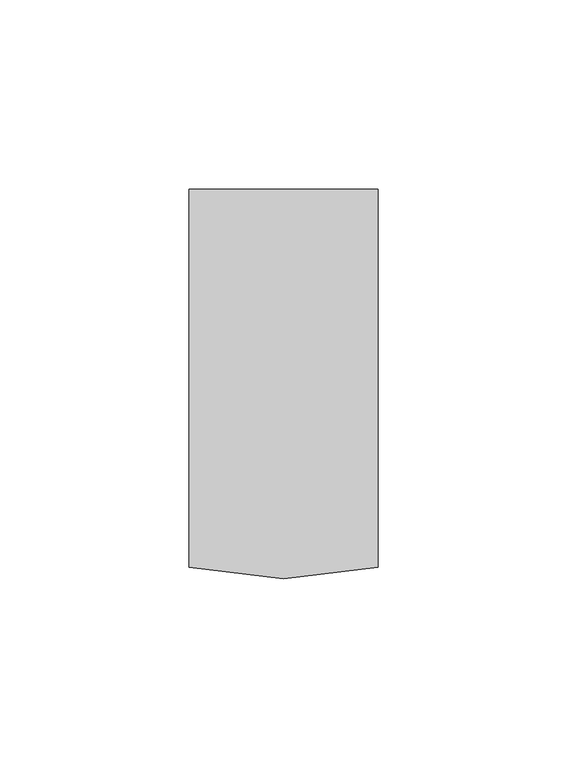
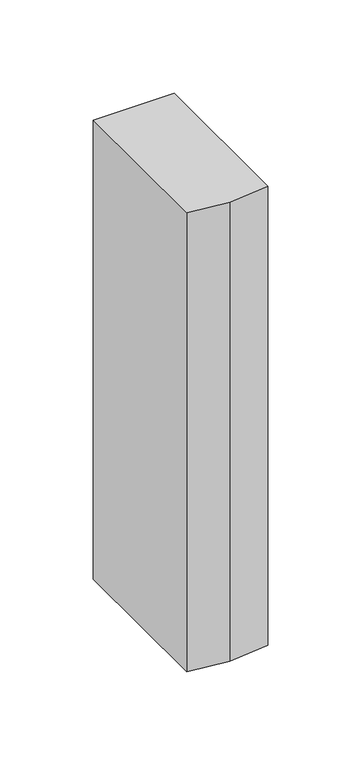
"""IFC4 building model written with IfcOpenShell, lengths in millimetres: member geometry."""

from ifc_helpers import new_model, si_unit, frame, origin, place, context, project, spatial, polyline, outline, extrude, source, transform, mapped, element, save


def member_5ceaca47(model_context):
    return source(origin(), model_context, "Body", "SweptSolid", [
        extrude(outline(polyline([(0.0, -3.0), (-25.0, -6.0), (-50.0, -3.0), (-50.0, 97.0), (0.0, 97.0), (0.0, -3.0)])), frame((0.0, 0.0, -299.9999997), z_axis=(0.0, 0.0, 1.0), x_axis=(1.0, 0.0, 0.0)), (0.0, 0.0, 1.0), 299.9999997),
    ])


if __name__ == "__main__":
    model = new_model("IFC4")
    model_context = context("Model", 3, world=origin())
    ifc_project = project(units=[si_unit("LENGTHUNIT", "METRE", prefix="MILLI")], contexts=[model_context])
    site = spatial("IfcSite", under=ifc_project)
    building = spatial("IfcBuilding", under=site)
    placement = place(None, origin())
    member_shape = member_5ceaca47(model_context)
    element("IfcMember", 1, at=placement, inside=building, context=model_context, shape_type="MappedRepresentation", body=[
        mapped(member_shape, transform((0.0, 0.0, 0.0), x_axis=(1.0, 0.0, 0.0), y_axis=(0.0, 1.0, 0.0), z_axis=(0.0, 0.0, 1.0))),
    ])
    save(model, "model.ifc")
